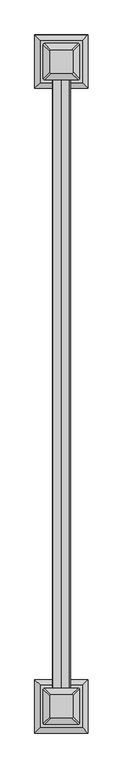
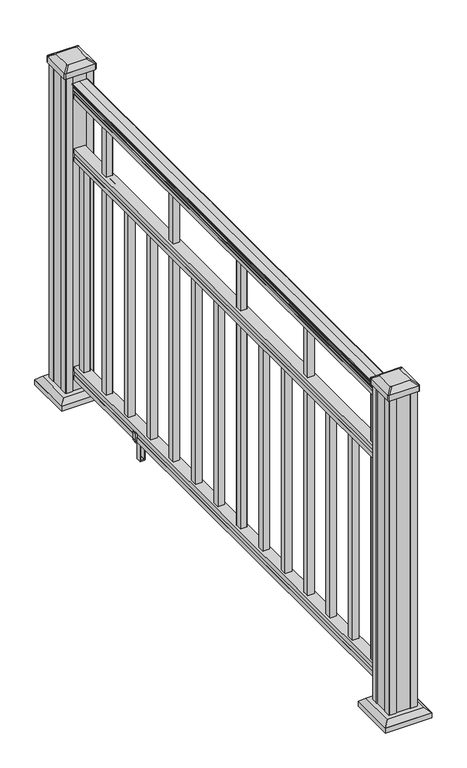
"""IFC4 building model written with IfcOpenShell, lengths in millimetres: railing geometry."""

from ifc_helpers import new_model, si_unit, point, frame, frame_2d, origin, origin_with_axes, place, context, project, spatial, polyline, circle_curve, trimmed, segment, composite_curve, outline, extrude, faceted_brep, source, transform, mapped, element, save
from ifc_brep_helpers import plane_surface, cylinder_surface, revolved_surface, extruded_surface, advanced_brep


def railing_c400cfd4(model_context):
    return source(origin(), model_context, "Body", "SolidModel", [
        advanced_brep(
        [(38355.6246135, 32849.1629068, 938.4043297), (38358.1984422, 32849.1629068, 938.4043297), (38358.1984422, 32849.1629068, 927.747013), (38357.1824422, 32849.1629068, 926.731013), (38357.1824422, 32849.1629068, 914.4), (38388.9324422, 32849.1629068, 914.4), (38388.9324422, 32849.1629068, 926.8888283), (38387.9164422, 32849.1629068, 927.9048283), (38387.9164422, 32849.1629068, 938.4043297), (38390.490271, 32849.1629068, 938.4043297), (38390.490271, 32849.1629068, 940.292412), (38391.6204573, 32849.1629068, 941.8546695), (38391.6204573, 32849.1629068, 949.0726458), (38390.9712009, 32849.1629068, 951.5060812), (38393.4712009, 32849.1629068, 955.8362083), (38394.8805433, 32849.1629068, 957.5157972), (38395.2824423, 32849.1629068, 958.6205318), (38395.2824422, 32849.1629068, 959.9608158), (38393.728995, 32849.1629068, 961.514263), (38373.0574422, 32849.1629068, 961.514263), (38352.3858895, 32849.1629068, 961.514263), (38350.8324422, 32849.1629068, 959.9608158), (38350.8324422, 32849.1629068, 958.6205318), (38351.2343412, 32849.1629068, 957.5157972), (38352.6436836, 32849.1629068, 955.8362083), (38355.1436836, 32849.1629068, 951.5060812), (38354.4944272, 32849.1629068, 949.0726458), (38354.4944272, 32849.1629068, 941.8546695), (38355.6246135, 32849.1629068, 940.292412), (38355.6246135, 34373.1629068, 938.4043297), (38355.6246135, 34373.1629068, 940.292412), (38354.4944272, 34373.1629068, 941.8546695), (38354.4944272, 34373.1629068, 949.0726458), (38355.1436836, 34373.1629068, 951.5060812), (38352.6436836, 34373.1629068, 955.8362083), (38351.2343412, 34373.1629068, 957.5157972), (38350.8324422, 34373.1629068, 958.6205318), (38350.8324422, 34373.1629068, 959.9608158), (38352.3858895, 34373.1629068, 961.514263), (38373.0574422, 34373.1629068, 961.514263), (38393.728995, 34373.1629068, 961.514263), (38395.2824422, 34373.1629068, 959.9608158), (38395.2824422, 34373.1629068, 958.6205318), (38394.8805433, 34373.1629068, 957.5157972), (38393.4712009, 34373.1629068, 955.8362083), (38390.9712009, 34373.1629068, 951.5060812), (38391.6204573, 34373.1629068, 949.0726458), (38391.6204573, 34373.1629068, 941.8546695), (38390.490271, 34373.1629068, 940.292412), (38390.490271, 34373.1629068, 938.4043297), (38387.9164422, 34373.1629068, 938.4043297), (38387.9164422, 34373.1629068, 927.9048283), (38388.9324422, 34373.1629068, 926.8888283), (38388.9324422, 34373.1629068, 914.4), (38357.1824422, 34373.1629068, 914.4), (38357.1824422, 34373.1629068, 926.731013), (38358.1984422, 34373.1629068, 927.747013), (38358.1984422, 34373.1629068, 938.4043297)],
        [
            (0, 1, circle_curve(frame((38356.9115279, 32849.1629068, 938.4043297), z_axis=(0.0, -1.0, 0.0), x_axis=(1.0, 0.0, 0.0)), 1.2869144)),
            (1, 2),
            (2, 3),
            (3, 4),
            (4, 5),
            (5, 6),
            (6, 7),
            (7, 8),
            (8, 9, circle_curve(frame((38389.2033566, 32849.1629068, 938.4043297), z_axis=(0.0, -1.0, 0.0), x_axis=(-1.0, 0.0, 0.0)), 1.2869144)),
            (9, 10),
            (10, 11, circle_curve(frame((38384.1755177, 32849.1629068, 946.0506383), z_axis=(0.0, -1.0, 0.0), x_axis=(-1.0, 0.0, 0.0)), 8.545951)),
            (11, 12, circle_curve(frame((38384.6125807, 32849.1629068, 945.4636577), z_axis=(0.0, -1.0, 0.0), x_axis=(-1.0, 0.0, 0.0)), 7.882584)),
            (12, 13, circle_curve(frame((38395.1259048, 32849.1629068, 951.3112527), z_axis=(0.0, 1.0, 0.0), x_axis=(-1.0, 0.0, 0.0)), 4.1592695)),
            (13, 14, circle_curve(frame((38396.4132113, 32849.1629068, 951.2508864), z_axis=(0.0, 1.0, 0.0), x_axis=(-1.0, 0.0, 0.0)), 5.4479907)),
            (14, 15, circle_curve(frame((38395.1800529, 32849.1629068, 955.833395), z_axis=(0.0, 1.0, 0.0), x_axis=(-1.0, 0.0, 0.0)), 1.7088543)),
            (15, 16, circle_curve(frame((38393.5631528, 32849.1629068, 958.6205318), z_axis=(0.0, -1.0, 0.0), x_axis=(-1.0, 0.0, 0.0)), 1.7192895)),
            (16, 17),
            (17, 18, circle_curve(frame((38393.728995, 32849.1629068, 959.9608158), z_axis=(0.0, -1.0, 0.0), x_axis=(-1.0, 0.0, 0.0)), 1.5534472)),
            (18, 19),
            (19, 20),
            (20, 21, circle_curve(frame((38352.3858895, 32849.1629068, 959.9608158), z_axis=(0.0, -1.0, 0.0), x_axis=(1.0, 0.0, 0.0)), 1.5534472)),
            (21, 22),
            (22, 23, circle_curve(frame((38352.5517317, 32849.1629068, 958.6205318), z_axis=(0.0, -1.0, 0.0), x_axis=(1.0, 0.0, 0.0)), 1.7192895)),
            (23, 24, circle_curve(frame((38350.9348316, 32849.1629068, 955.833395), z_axis=(0.0, 1.0, 0.0), x_axis=(1.0, 0.0, 0.0)), 1.7088543)),
            (24, 25, circle_curve(frame((38349.7016731, 32849.1629068, 951.2508864), z_axis=(0.0, 1.0, 0.0), x_axis=(1.0, 0.0, 0.0)), 5.4479907)),
            (25, 26, circle_curve(frame((38350.9889797, 32849.1629068, 951.3112527), z_axis=(0.0, 1.0, 0.0), x_axis=(1.0, 0.0, 0.0)), 4.1592695)),
            (26, 27, circle_curve(frame((38361.5023038, 32849.1629068, 945.4636577), z_axis=(0.0, -1.0, 0.0), x_axis=(1.0, 0.0, 0.0)), 7.882584)),
            (27, 28, circle_curve(frame((38361.9393668, 32849.1629068, 946.0506383), z_axis=(0.0, -1.0, 0.0), x_axis=(1.0, 0.0, 0.0)), 8.545951)),
            (28, 0),
            (29, 30),
            (30, 31, circle_curve(frame((38361.9393668, 34373.1629068, 946.0506383), z_axis=(0.0, 1.0, 0.0), x_axis=(1.0, 0.0, 0.0)), 8.545951)),
            (31, 32, circle_curve(frame((38361.5023038, 34373.1629068, 945.4636577), z_axis=(0.0, 1.0, 0.0), x_axis=(1.0, 0.0, 0.0)), 7.882584)),
            (32, 33, circle_curve(frame((38350.9889797, 34373.1629068, 951.3112527), z_axis=(0.0, -1.0, 0.0), x_axis=(1.0, 0.0, 0.0)), 4.1592695)),
            (33, 34, circle_curve(frame((38349.7016731, 34373.1629068, 951.2508864), z_axis=(0.0, -1.0, 0.0), x_axis=(1.0, 0.0, 0.0)), 5.4479907)),
            (34, 35, circle_curve(frame((38350.9348316, 34373.1629068, 955.833395), z_axis=(0.0, -1.0, 0.0), x_axis=(1.0, 0.0, 0.0)), 1.7088543)),
            (35, 36, circle_curve(frame((38352.5517317, 34373.1629068, 958.6205318), z_axis=(0.0, 1.0, 0.0), x_axis=(1.0, 0.0, 0.0)), 1.7192895)),
            (36, 37),
            (37, 38, circle_curve(frame((38352.3858895, 34373.1629068, 959.9608158), z_axis=(0.0, 1.0, 0.0), x_axis=(1.0, 0.0, 0.0)), 1.5534472)),
            (38, 39),
            (39, 40),
            (40, 41, circle_curve(frame((38393.728995, 34373.1629068, 959.9608158), z_axis=(0.0, 1.0, 0.0), x_axis=(-1.0, 0.0, 0.0)), 1.5534472)),
            (41, 42),
            (42, 43, circle_curve(frame((38393.5631528, 34373.1629068, 958.6205318), z_axis=(0.0, 1.0, 0.0), x_axis=(-1.0, 0.0, 0.0)), 1.7192895)),
            (43, 44, circle_curve(frame((38395.1800529, 34373.1629068, 955.833395), z_axis=(0.0, -1.0, 0.0), x_axis=(-1.0, 0.0, 0.0)), 1.7088543)),
            (44, 45, circle_curve(frame((38396.4132113, 34373.1629068, 951.2508864), z_axis=(0.0, -1.0, 0.0), x_axis=(-1.0, 0.0, 0.0)), 5.4479907)),
            (45, 46, circle_curve(frame((38395.1259048, 34373.1629068, 951.3112527), z_axis=(0.0, -1.0, 0.0), x_axis=(-1.0, 0.0, 0.0)), 4.1592695)),
            (46, 47, circle_curve(frame((38384.6125807, 34373.1629068, 945.4636577), z_axis=(0.0, 1.0, 0.0), x_axis=(-1.0, 0.0, 0.0)), 7.882584)),
            (47, 48, circle_curve(frame((38384.1755177, 34373.1629068, 946.0506383), z_axis=(0.0, 1.0, 0.0), x_axis=(-1.0, 0.0, 0.0)), 8.545951)),
            (48, 49),
            (49, 50, circle_curve(frame((38389.2033566, 34373.1629068, 938.4043297), z_axis=(0.0, 1.0, 0.0), x_axis=(-1.0, 0.0, 0.0)), 1.2869144)),
            (50, 51),
            (51, 52),
            (52, 53),
            (53, 54),
            (54, 55),
            (55, 56),
            (56, 57),
            (57, 29, circle_curve(frame((38356.9115279, 34373.1629068, 938.4043297), z_axis=(0.0, 1.0, 0.0), x_axis=(1.0, 0.0, 0.0)), 1.2869144)),
            (0, 29),
            (57, 1),
            (56, 2),
            (55, 3),
            (54, 4),
            (53, 5),
            (52, 6),
            (51, 7),
            (50, 8),
            (49, 9),
            (48, 10),
            (47, 11),
            (46, 12),
            (45, 13),
            (44, 14),
            (43, 15),
            (42, 16),
            (41, 17),
            (40, 18),
            (39, 19),
            (38, 20),
            (37, 21),
            (36, 22),
            (35, 23),
            (34, 24),
            (33, 25),
            (32, 26),
            (31, 27),
            (30, 28),
        ],
        [
            plane_surface(frame((38373.0574422, 32849.1629068, 914.4), z_axis=(0.0, -1.0, 0.0), x_axis=(0.0, 0.0, 1.0))),
            plane_surface(frame((38373.0574422, 34373.1629068, 914.4), z_axis=(0.0, 1.0, 0.0), x_axis=(0.0, 0.0, 1.0))),
            cylinder_surface(frame((38356.9115279, 32849.1629068, 938.4043297), z_axis=(0.0, -1.0, 0.0), x_axis=(1.0, 0.0, 0.0)), 1.2869144),
            plane_surface(frame((38358.1984422, 32849.1629068, 938.4043297), z_axis=(-1.0, 0.0, 0.0), x_axis=(0.0, 1.0, 0.0))),
            plane_surface(frame((38358.1984422, 32849.1629068, 927.747013), z_axis=(-0.7071067811865395, 0.0, 0.7071067811865556), x_axis=(0.0, 1.0, 0.0))),
            plane_surface(frame((38357.1824422, 32849.1629068, 926.731013), z_axis=(-1.0, 0.0, 0.0), x_axis=(0.0, 1.0, 0.0))),
            plane_surface(frame((38357.1824422, 32849.1629068, 914.4), z_axis=(0.0, 0.0, -1.0), x_axis=(0.0, 1.0, 0.0))),
            plane_surface(frame((38388.9324422, 32849.1629068, 914.4), z_axis=(1.0, 0.0, 0.0), x_axis=(0.0, 1.0, 0.0))),
            plane_surface(frame((38388.9324422, 32849.1629068, 926.8888283), z_axis=(0.7071067811865432, 0.0, 0.707106781186552), x_axis=(0.0, 1.0, 0.0))),
            plane_surface(frame((38387.9164422, 32849.1629068, 927.9048283), z_axis=(1.0, 0.0, 0.0), x_axis=(0.0, 1.0, 0.0))),
            cylinder_surface(frame((38389.2033566, 32849.1629068, 938.4043297), z_axis=(0.0, -1.0, 0.0), x_axis=(-1.0, 0.0, 0.0)), 1.2869144),
            plane_surface(frame((38390.490271, 32849.1629068, 938.4043297), z_axis=(1.0, 0.0, 0.0), x_axis=(0.0, 1.0, 0.0))),
            cylinder_surface(frame((38384.1755177, 32849.1629068, 946.0506383), z_axis=(0.0, -1.0, 0.0), x_axis=(-1.0, 0.0, 0.0)), 8.545951),
            cylinder_surface(frame((38384.6125807, 32849.1629068, 945.4636577), z_axis=(0.0, -1.0, 0.0), x_axis=(-1.0, 0.0, 0.0)), 7.882584),
            revolved_surface(polyline([(38390.9666353, 34373.1629068, 951.3112527), (38390.9666353, 32849.1629068, 951.3112527)]), (38395.1259048, 32849.1629068, 951.3112527), (0.0, 1.0, 0.0)),
            revolved_surface(polyline([(38390.9652206, 34373.1629068, 951.2508864), (38390.9652206, 32849.1629068, 951.2508864)]), (38396.4132113, 32849.1629068, 951.2508864), (0.0, 1.0, 0.0)),
            revolved_surface(polyline([(38393.471198600004, 34373.1629068, 955.833395), (38393.471198600004, 32849.1629068, 955.833395)]), (38395.1800529, 32849.1629068, 955.833395), (0.0, 1.0, 0.0)),
            cylinder_surface(frame((38393.5631528, 32849.1629068, 958.6205318), z_axis=(0.0, -1.0, 0.0), x_axis=(-1.0, 0.0, 0.0)), 1.7192895),
            plane_surface(frame((38395.2824422, 32849.1629068, 958.6205318), z_axis=(1.0, 0.0, 0.0), x_axis=(0.0, 1.0, 0.0))),
            cylinder_surface(frame((38393.728995, 32849.1629068, 959.9608158), z_axis=(0.0, -1.0, 0.0), x_axis=(-1.0, 0.0, 0.0)), 1.5534472),
            plane_surface(frame((38393.728995, 32849.1629068, 961.514263), z_axis=(0.0, 0.0, 1.0), x_axis=(0.0, 1.0, 0.0))),
            plane_surface(frame((38373.0574422, 32849.1629068, 961.514263), z_axis=(0.0, 0.0, 1.0), x_axis=(0.0, 1.0, 0.0))),
            cylinder_surface(frame((38352.3858895, 32849.1629068, 959.9608158), z_axis=(0.0, -1.0, 0.0), x_axis=(1.0, 0.0, 0.0)), 1.5534472),
            plane_surface(frame((38350.8324422, 32849.1629068, 959.9608158), z_axis=(-1.0, 0.0, 0.0), x_axis=(0.0, 1.0, 0.0))),
            cylinder_surface(frame((38352.5517317, 32849.1629068, 958.6205318), z_axis=(0.0, -1.0, 0.0), x_axis=(1.0, 0.0, 0.0)), 1.7192895),
            revolved_surface(polyline([(38352.6436859, 34373.1629068, 955.833395), (38352.6436859, 32849.1629068, 955.833395)]), (38350.9348316, 32849.1629068, 955.833395), (0.0, 1.0, 0.0)),
            revolved_surface(polyline([(38355.149663799995, 34373.1629068, 951.2508864), (38355.149663799995, 32849.1629068, 951.2508864)]), (38349.7016731, 32849.1629068, 951.2508864), (0.0, 1.0, 0.0)),
            revolved_surface(polyline([(38355.1482492, 34373.1629068, 951.3112527), (38355.1482492, 32849.1629068, 951.3112527)]), (38350.9889797, 32849.1629068, 951.3112527), (0.0, 1.0, 0.0)),
            cylinder_surface(frame((38361.5023038, 32849.1629068, 945.4636577), z_axis=(0.0, -1.0, 0.0), x_axis=(1.0, 0.0, 0.0)), 7.882584),
            cylinder_surface(frame((38361.9393668, 32849.1629068, 946.0506383), z_axis=(0.0, -1.0, 0.0), x_axis=(1.0, 0.0, 0.0)), 8.545951),
            plane_surface(frame((38355.6246135, 32849.1629068, 940.292412), z_axis=(-1.0, 0.0, 0.0), x_axis=(0.0, 1.0, 0.0))),
        ],
        [
            (0, [[1, 2, 3, 4, 5, 6, 7, 8, 9, 10, 11, 12, 13, 14, 15, 16, 17, 18, 19, 20, 21, 22, 23, 24, 25, 26, 27, 28, 29]]),
            (1, [[30, 31, 32, 33, 34, 35, 36, 37, 38, 39, 40, 41, 42, 43, 44, 45, 46, 47, 48, 49, 50, 51, 52, 53, 54, 55, 56, 57, 58]]),
            (2, [[-1, 59, -58, 60]]),
            (3, [[-2, -60, -57, 61]]),
            (4, [[-3, -61, -56, 62]]),
            (5, [[-4, -62, -55, 63]]),
            (6, [[-5, -63, -54, 64]]),
            (7, [[-6, -64, -53, 65]]),
            (8, [[-7, -65, -52, 66]]),
            (9, [[-8, -66, -51, 67]]),
            (10, [[-9, -67, -50, 68]]),
            (11, [[-10, -68, -49, 69]]),
            (12, [[-11, -69, -48, 70]]),
            (13, [[-12, -70, -47, 71]]),
            (14, [[-13, -71, -46, 72]]),
            (15, [[-14, -72, -45, 73]]),
            (16, [[-15, -73, -44, 74]]),
            (17, [[-16, -74, -43, 75]]),
            (18, [[-17, -75, -42, 76]]),
            (19, [[-18, -76, -41, 77]]),
            (20, [[-19, -77, -40, 78]]),
            (21, [[-20, -78, -39, 79]]),
            (22, [[-21, -79, -38, 80]]),
            (23, [[-22, -80, -37, 81]]),
            (24, [[-23, -81, -36, 82]]),
            (25, [[-24, -82, -35, 83]]),
            (26, [[-25, -83, -34, 84]]),
            (27, [[-26, -84, -33, 85]]),
            (28, [[-27, -85, -32, 86]]),
            (29, [[-28, -86, -31, 87]]),
            (30, [[-29, -87, -30, -59]]),
        ],
    ),
        faceted_brep([(38357.1449553, 32849.1629068, 736.4541976), (38357.1449553, 32849.1629068, 723.9), (38388.8949553, 32849.1629068, 723.9), (38388.8949553, 32849.1629068, 736.4375508), (38387.8789553, 32849.1629068, 737.7858283), (38387.8789553, 32849.1629068, 748.0975248), (38388.8949553, 32849.1629068, 749.4458024), (38388.8949553, 32849.1629068, 761.9958781), (38357.1449553, 32849.1629068, 761.9958781), (38357.1449553, 32849.1629068, 749.4624492), (38358.1609553, 32849.1629068, 748.1141717), (38358.1609553, 32849.1629068, 737.7546183), (38357.1449553, 34373.1629068, 736.4541976), (38358.1609553, 34373.1629068, 737.7546183), (38358.1609553, 34373.1629068, 748.1141717), (38357.1449553, 34373.1629068, 749.4624492), (38357.1449553, 34373.1629068, 761.9958781), (38388.8949553, 34373.1629068, 761.9958781), (38388.8949553, 34373.1629068, 749.4458024), (38387.8789553, 34373.1629068, 748.0975248), (38387.8789553, 34373.1629068, 737.7858283), (38388.8949553, 34373.1629068, 736.4375508), (38388.8949553, 34373.1629068, 723.9), (38357.1449553, 34373.1629068, 723.9)], [[[0, 1, 2, 3, 4, 5, 6, 7, 8, 9, 10, 11]], [[12, 13, 14, 15, 16, 17, 18, 19, 20, 21, 22, 23]], [[1, 0, 12, 23]], [[2, 1, 23, 22]], [[3, 2, 22, 21]], [[4, 3, 21, 20]], [[5, 4, 20, 19]], [[6, 5, 19, 18]], [[7, 6, 18, 17]], [[8, 7, 17, 16]], [[9, 8, 16, 15]], [[10, 9, 15, 14]], [[11, 10, 14, 13]], [[0, 11, 13, 12]]]),
        faceted_brep([(38357.1449553, 32849.1629068, 76.0541976), (38357.1449553, 32849.1629068, 63.5), (38388.8949553, 32849.1629068, 63.5), (38388.8949553, 32849.1629068, 76.0375508), (38387.8789553, 32849.1629068, 77.3858283), (38387.8789553, 32849.1629068, 87.6975248), (38388.8949553, 32849.1629068, 89.0458024), (38388.8949553, 32849.1629068, 101.5958781), (38357.1449553, 32849.1629068, 101.5958781), (38357.1449553, 32849.1629068, 89.0624492), (38358.1609553, 32849.1629068, 87.7141717), (38358.1609553, 32849.1629068, 77.3546183), (38357.1449553, 34373.1629068, 76.0541976), (38358.1609553, 34373.1629068, 77.3546183), (38358.1609553, 34373.1629068, 87.7141717), (38357.1449553, 34373.1629068, 89.0624492), (38357.1449553, 34373.1629068, 101.5958781), (38388.8949553, 34373.1629068, 101.5958781), (38388.8949553, 34373.1629068, 89.0458024), (38387.8789553, 34373.1629068, 87.6975248), (38387.8789553, 34373.1629068, 77.3858283), (38388.8949553, 34373.1629068, 76.0375508), (38388.8949553, 34373.1629068, 63.5), (38357.1449553, 34373.1629068, 63.5)], [[[0, 1, 2, 3, 4, 5, 6, 7, 8, 9, 10, 11]], [[12, 13, 14, 15, 16, 17, 18, 19, 20, 21, 22, 23]], [[1, 0, 12, 23]], [[2, 1, 23, 22]], [[3, 2, 22, 21]], [[4, 3, 21, 20]], [[5, 4, 20, 19]], [[6, 5, 19, 18]], [[7, 6, 18, 17]], [[8, 7, 17, 16]], [[9, 8, 16, 15]], [[10, 9, 15, 14]], [[11, 10, 14, 13]], [[0, 11, 13, 12]]]),
        extrude(outline(polyline([(38363.5324422, 34338.2379068), (38363.5324422, 34357.2879068), (38382.5824422, 34357.2879068), (38382.5824422, 34338.2379068), (38363.5324422, 34338.2379068)]), holes=[polyline([(38363.9293172, 34338.6347818), (38382.1855672, 34338.6347818), (38382.1855672, 34356.8910318), (38363.9293172, 34356.8910318), (38363.9293172, 34338.6347818)])]), frame((0.0, 0.0, 101.5958781), z_axis=(0.0, 0.0, 1.0), x_axis=(1.0, 0.0, 0.0)), (0.0, 0.0, 1.0), 622.3041219),
        extrude(outline(polyline([(38363.5324422, 34226.9859068), (38363.5324422, 34246.0359068), (38382.5824422, 34246.0359068), (38382.5824422, 34226.9859068), (38363.5324422, 34226.9859068)]), holes=[polyline([(38363.9293172, 34227.3827818), (38382.1855672, 34227.3827818), (38382.1855672, 34245.6390318), (38363.9293172, 34245.6390318), (38363.9293172, 34227.3827818)])]), frame((0.0, 0.0, 101.5958781), z_axis=(0.0, 0.0, 1.0), x_axis=(1.0, 0.0, 0.0)), (0.0, 0.0, 1.0), 812.8041219),
        extrude(outline(polyline([(38363.5324422, 34115.7339068), (38363.5324422, 34134.7839068), (38382.5824422, 34134.7839068), (38382.5824422, 34115.7339068), (38363.5324422, 34115.7339068)]), holes=[polyline([(38363.9293172, 34116.1307818), (38382.1855672, 34116.1307818), (38382.1855672, 34134.3870318), (38363.9293172, 34134.3870318), (38363.9293172, 34116.1307818)])]), frame((0.0, 0.0, 101.5958781), z_axis=(0.0, 0.0, 1.0), x_axis=(1.0, 0.0, 0.0)), (0.0, 0.0, 1.0), 622.3041219),
        extrude(outline(polyline([(88.7203979, 38391.2184411), (88.7203979, 38389.1864415), (87.7043953, 38388.1704417), (77.2686081, 38388.1704417), (76.2526073, 38389.1864415), (64.262001, 38389.1864415), (63.5000019, 38388.4244423), (63.5000019, 38357.6904412), (64.262001, 38356.9284421), (76.2526073, 38356.9284421), (77.2686081, 38357.9444419), (87.7043953, 38357.9444419), (88.7203979, 38356.9284421), (88.7203979, 38354.8964425), (87.9583969, 38354.1344414), (61.4680023, 38354.1344414), (60.7060013, 38354.8964425), (60.7060013, 38364.9294415), (59.9440012, 38365.6914416), (0.762001, 38365.6914416), (0.0, 38366.4534426), (0.0, 38379.6614419), (0.7620001, 38380.4234419), (59.9440012, 38380.4234419), (60.7060013, 38381.185442), (60.7060013, 38391.2184411), (61.4680023, 38391.9804421), (87.9583969, 38391.9804421), (88.7203979, 38391.2184411)]), holes=[polyline([(60.7060013, 38369.6284419), (60.7060013, 38376.4864417), (59.9440012, 38377.2484418), (3.9370003, 38377.2484418), (3.1750031, 38376.4864445), (3.1750031, 38369.6284419), (3.9370031, 38368.8664418), (59.9440012, 38368.8664418), (60.7060013, 38369.6284419)])]), frame((0.0, 34062.2669068, 0.0), z_axis=(0.0, 1.0, 0.0), x_axis=(0.0, 0.0, 1.0)), (0.0, 0.0, 1.0), 14.732),
        extrude(outline(polyline([(38363.5324422, 34004.4819068), (38363.5324422, 34023.5319068), (38382.5824422, 34023.5319068), (38382.5824422, 34004.4819068), (38363.5324422, 34004.4819068)]), holes=[polyline([(38363.9293172, 34004.8787818), (38382.1855672, 34004.8787818), (38382.1855672, 34023.1350318), (38363.9293172, 34023.1350318), (38363.9293172, 34004.8787818)])]), frame((0.0, 0.0, 101.5958781), z_axis=(0.0, 0.0, 1.0), x_axis=(1.0, 0.0, 0.0)), (0.0, 0.0, 1.0), 622.3041219),
        extrude(outline(polyline([(38363.5324422, 33893.2299068), (38363.5324422, 33912.2799068), (38382.5824422, 33912.2799068), (38382.5824422, 33893.2299068), (38363.5324422, 33893.2299068)]), holes=[polyline([(38363.9293172, 33893.6267818), (38382.1855672, 33893.6267818), (38382.1855672, 33911.8830318), (38363.9293172, 33911.8830318), (38363.9293172, 33893.6267818)])]), frame((0.0, 0.0, 101.5958781), z_axis=(0.0, 0.0, 1.0), x_axis=(1.0, 0.0, 0.0)), (0.0, 0.0, 1.0), 812.8041219),
        extrude(outline(polyline([(38363.5324422, 33781.9779068), (38363.5324422, 33801.0279068), (38382.5824422, 33801.0279068), (38382.5824422, 33781.9779068), (38363.5324422, 33781.9779068)]), holes=[polyline([(38363.9293172, 33782.3747818), (38382.1855672, 33782.3747818), (38382.1855672, 33800.6310318), (38363.9293172, 33800.6310318), (38363.9293172, 33782.3747818)])]), frame((0.0, 0.0, 101.5958781), z_axis=(0.0, 0.0, 1.0), x_axis=(1.0, 0.0, 0.0)), (0.0, 0.0, 1.0), 622.3041219),
        extrude(outline(polyline([(38363.5324422, 33670.7259068), (38363.5324422, 33689.7759068), (38382.5824422, 33689.7759068), (38382.5824422, 33670.7259068), (38363.5324422, 33670.7259068)]), holes=[polyline([(38363.9293172, 33671.1227818), (38382.1855672, 33671.1227818), (38382.1855672, 33689.3790318), (38363.9293172, 33689.3790318), (38363.9293172, 33671.1227818)])]), frame((0.0, 0.0, 101.5958781), z_axis=(0.0, 0.0, 1.0), x_axis=(1.0, 0.0, 0.0)), (0.0, 0.0, 1.0), 622.3041219),
        extrude(outline(polyline([(38363.5324422, 33559.4739068), (38363.5324422, 33578.5239068), (38382.5824422, 33578.5239068), (38382.5824422, 33559.4739068), (38363.5324422, 33559.4739068)]), holes=[polyline([(38363.9293172, 33559.8707818), (38382.1855672, 33559.8707818), (38382.1855672, 33578.1270318), (38363.9293172, 33578.1270318), (38363.9293172, 33559.8707818)])]), frame((0.0, 0.0, 101.5958781), z_axis=(0.0, 0.0, 1.0), x_axis=(1.0, 0.0, 0.0)), (0.0, 0.0, 1.0), 812.8041219),
        extrude(outline(polyline([(38363.5324422, 33448.2219068), (38363.5324422, 33467.2719068), (38382.5824422, 33467.2719068), (38382.5824422, 33448.2219068), (38363.5324422, 33448.2219068)]), holes=[polyline([(38363.9293172, 33448.6187818), (38382.1855672, 33448.6187818), (38382.1855672, 33466.8750318), (38363.9293172, 33466.8750318), (38363.9293172, 33448.6187818)])]), frame((0.0, 0.0, 101.5958781), z_axis=(0.0, 0.0, 1.0), x_axis=(1.0, 0.0, 0.0)), (0.0, 0.0, 1.0), 622.3041219),
        extrude(outline(polyline([(38363.5324422, 33336.9699068), (38363.5324422, 33356.0199068), (38382.5824422, 33356.0199068), (38382.5824422, 33336.9699068), (38363.5324422, 33336.9699068)]), holes=[polyline([(38363.9293172, 33337.3667818), (38382.1855672, 33337.3667818), (38382.1855672, 33355.6230318), (38363.9293172, 33355.6230318), (38363.9293172, 33337.3667818)])]), frame((0.0, 0.0, 101.5958781), z_axis=(0.0, 0.0, 1.0), x_axis=(1.0, 0.0, 0.0)), (0.0, 0.0, 1.0), 622.3041219),
        extrude(outline(polyline([(38363.5324422, 33225.7179068), (38363.5324422, 33244.7679068), (38382.5824422, 33244.7679068), (38382.5824422, 33225.7179068), (38363.5324422, 33225.7179068)]), holes=[polyline([(38363.9293172, 33226.1147818), (38382.1855672, 33226.1147818), (38382.1855672, 33244.3710318), (38363.9293172, 33244.3710318), (38363.9293172, 33226.1147818)])]), frame((0.0, 0.0, 101.5958781), z_axis=(0.0, 0.0, 1.0), x_axis=(1.0, 0.0, 0.0)), (0.0, 0.0, 1.0), 812.8041219),
        extrude(outline(polyline([(38363.5324422, 33114.4659068), (38363.5324422, 33133.5159068), (38382.5824422, 33133.5159068), (38382.5824422, 33114.4659068), (38363.5324422, 33114.4659068)]), holes=[polyline([(38363.9293172, 33114.8627818), (38382.1855672, 33114.8627818), (38382.1855672, 33133.1190318), (38363.9293172, 33133.1190318), (38363.9293172, 33114.8627818)])]), frame((0.0, 0.0, 101.5958781), z_axis=(0.0, 0.0, 1.0), x_axis=(1.0, 0.0, 0.0)), (0.0, 0.0, 1.0), 622.3041219),
        extrude(outline(polyline([(38363.5324422, 33003.2139068), (38363.5324422, 33022.2639068), (38382.5824422, 33022.2639068), (38382.5824422, 33003.2139068), (38363.5324422, 33003.2139068)]), holes=[polyline([(38363.9293172, 33003.6107818), (38382.1855672, 33003.6107818), (38382.1855672, 33021.8670318), (38363.9293172, 33021.8670318), (38363.9293172, 33003.6107818)])]), frame((0.0, 0.0, 101.5958781), z_axis=(0.0, 0.0, 1.0), x_axis=(1.0, 0.0, 0.0)), (0.0, 0.0, 1.0), 622.3041219),
        extrude(outline(polyline([(38363.5324422, 32891.9619068), (38363.5324422, 32911.0119068), (38382.5824422, 32911.0119068), (38382.5824422, 32891.9619068), (38363.5324422, 32891.9619068)]), holes=[polyline([(38363.9293172, 32892.3587818), (38382.1855672, 32892.3587818), (38382.1855672, 32910.6150318), (38363.9293172, 32910.6150318), (38363.9293172, 32892.3587818)])]), frame((0.0, 0.0, 101.5958781), z_axis=(0.0, 0.0, 1.0), x_axis=(1.0, 0.0, 0.0)), (0.0, 0.0, 1.0), 812.8041219),
        faceted_brep([(38320.4715047, 34361.9789693, 28.575), (38425.6433797, 34361.9789693, 28.575), (38425.6433797, 34467.1508443, 28.575), (38320.4715047, 34467.1508443, 28.575), (38306.4320516, 34347.9395162, 15.24), (38306.4320516, 34481.1902975, 15.24), (38439.6828329, 34481.1902975, 15.24), (38439.6828329, 34347.9395162, 15.24)], [[[0, 1, 2, 3]], [[4, 5, 6, 7]], [[4, 7, 1, 0]], [[7, 6, 2, 1]], [[6, 5, 3, 2]], [[5, 4, 0, 3]]]),
        extrude(outline(polyline([(38306.4320516, 34347.9395162), (38306.4320516, 34481.1902975), (38439.6828329, 34481.1902975), (38439.6828329, 34347.9395162), (38306.4320516, 34347.9395162)])), origin_with_axes(), (0.0, 0.0, 1.0), 15.24),
        advanced_brep(
        [(38398.8543172, 34385.5930318, 1012.825), (38402.0293172, 34388.7680318, 1012.825), (38402.0293172, 34440.3617818, 1012.825), (38398.8543172, 34443.5367818, 1012.825), (38347.2605672, 34443.5367818, 1012.825), (38344.0855672, 34440.3617818, 1012.825), (38344.0855672, 34388.7680318, 1012.825), (38347.2605672, 34385.5930318, 1012.825), (38415.1261922, 34369.3211568, 1001.522), (38330.9886922, 34369.3211568, 1001.522), (38327.8136922, 34372.4961568, 1001.522), (38327.8136922, 34456.6336568, 1001.522), (38330.9886922, 34459.8086568, 1001.522), (38415.1261922, 34459.8086568, 1001.522), (38418.3011922, 34456.6336568, 1001.522), (38418.3011922, 34372.4961568, 1001.522)],
        [
            (0, 1, circle_curve(frame((38398.8543172, 34388.7680318, 1012.825), z_axis=(0.0, 0.0, 1.0), x_axis=(0.0, 1.0, 0.0)), 3.175)),
            (1, 2),
            (2, 3, circle_curve(frame((38398.8543172, 34440.3617818, 1012.825), z_axis=(0.0, 0.0, 1.0), x_axis=(0.0, 1.0, 0.0)), 3.175)),
            (3, 4),
            (4, 5, circle_curve(frame((38347.2605672, 34440.3617818, 1012.825), z_axis=(0.0, 0.0, 1.0), x_axis=(0.0, 1.0, 0.0)), 3.175)),
            (5, 6),
            (6, 7, circle_curve(frame((38347.2605672, 34388.7680318, 1012.825), z_axis=(0.0, 0.0, 1.0), x_axis=(0.0, 1.0, 0.0)), 3.175)),
            (7, 0),
            (8, 9),
            (9, 10, circle_curve(frame((38330.9886922, 34372.4961568, 1001.522), z_axis=(0.0, 0.0, -1.0), x_axis=(0.0, 1.0, 0.0)), 3.175)),
            (10, 11),
            (11, 12, circle_curve(frame((38330.9886922, 34456.6336568, 1001.522), z_axis=(0.0, 0.0, -1.0), x_axis=(0.0, 1.0, 0.0)), 3.175)),
            (12, 13),
            (13, 14, circle_curve(frame((38415.1261922, 34456.6336568, 1001.522), z_axis=(0.0, 0.0, -1.0), x_axis=(0.0, 1.0, 0.0)), 3.175)),
            (14, 15),
            (15, 8, circle_curve(frame((38415.1261922, 34372.4961568, 1001.522), z_axis=(0.0, 0.0, -1.0), x_axis=(0.0, 1.0, 0.0)), 3.175)),
            (15, 1),
            (0, 8),
            (14, 2),
            (13, 3),
            (12, 4),
            (11, 5),
            (10, 6),
            (9, 7),
        ],
        [
            plane_surface(frame((38373.0574422, 34414.5649068, 1012.825), z_axis=(0.0, 0.0, 1.0), x_axis=(1.0, 0.0, 0.0))),
            plane_surface(frame((38373.0574422, 34414.5649068, 1001.522), z_axis=(0.0, 0.0, -1.0), x_axis=(1.0, 0.0, 0.0))),
            extruded_surface(trimmed(circle_curve(frame((38415.1261922, 34372.4961568, 1001.522), z_axis=(0.0, 0.0, 1.0), x_axis=(0.0, 1.0, 0.0)), 3.175), [point((38415.1261922, 34369.3211568, 1001.522))], [point((38418.3011922, 34372.4961568, 1001.522))], True, "CARTESIAN"), (-16.271874999998545, 16.271874999998545, 11.302999999999997), 25.637972638864316),
            plane_surface(frame((38418.3011922, 34414.5649068, 1001.522), z_axis=(0.5705009161540779, 0.0, 0.8212969649690408), x_axis=(0.0, 1.0, 0.0))),
            extruded_surface(trimmed(circle_curve(frame((38415.1261922, 34456.6336568, 1001.522), z_axis=(0.0, 0.0, 1.0), x_axis=(0.0, 1.0, 0.0)), 3.175), [point((38418.3011922, 34456.6336568, 1001.522))], [point((38415.1261922, 34459.8086568, 1001.522))], True, "CARTESIAN"), (-16.271874999998545, -16.271874999998545, 11.302999999999997), 25.637972638864316),
            plane_surface(frame((38373.0574422, 34459.8086568, 1001.522), z_axis=(0.0, 0.5705009161540291, 0.8212969649690747), x_axis=(-1.0, 0.0, 0.0))),
            extruded_surface(trimmed(circle_curve(frame((38330.9886922, 34456.6336568, 1001.522), z_axis=(0.0, 0.0, 1.0), x_axis=(0.0, 1.0, 0.0)), 3.175), [point((38330.9886922, 34459.8086568, 1001.522))], [point((38327.8136922, 34456.6336568, 1001.522))], True, "CARTESIAN"), (16.271874999998545, -16.271874999998545, 11.302999999999997), 25.637972638864316),
            plane_surface(frame((38327.8136922, 34414.5649068, 1001.522), z_axis=(-0.5705009161540141, 0.0, 0.8212969649690851), x_axis=(0.0, -1.0, 0.0))),
            extruded_surface(trimmed(circle_curve(frame((38330.9886922, 34372.4961568, 1001.522), z_axis=(0.0, 0.0, 1.0), x_axis=(0.0, 1.0, 0.0)), 3.175), [point((38327.8136922, 34372.4961568, 1001.522))], [point((38330.9886922, 34369.3211568, 1001.522))], True, "CARTESIAN"), (16.271874999998545, 16.271874999998545, 11.302999999999997), 25.637972638864316),
            plane_surface(frame((38373.0574422, 34369.3211568, 1001.522), z_axis=(0.0, -0.570500916154034, 0.8212969649690713), x_axis=(1.0, 0.0, 0.0))),
        ],
        [
            (0, [[1, 2, 3, 4, 5, 6, 7, 8]]),
            (1, [[9, 10, 11, 12, 13, 14, 15, 16]]),
            (2, [[-16, 17, -1, 18]]),
            (3, [[-15, 19, -2, -17]]),
            (4, [[-14, 20, -3, -19]]),
            (5, [[-13, 21, -4, -20]]),
            (6, [[-12, 22, -5, -21]]),
            (7, [[-11, 23, -6, -22]]),
            (8, [[-10, 24, -7, -23]]),
            (9, [[-9, -18, -8, -24]]),
        ],
    ),
        extrude(outline(composite_curve([segment(polyline([(38415.1261922, 34369.3211568), (38330.9886922, 34369.3211568)]), True, "CONTINUOUS"), segment(trimmed(circle_curve(frame_2d((38330.9886922, 34372.4961568)), 3.175), [point((38330.9886922, 34369.3211568))], [point((38327.8136922, 34372.4961568))], False, "CARTESIAN"), True, "CONTINUOUS"), segment(polyline([(38327.8136922, 34372.4961568), (38327.8136922, 34456.6336568)]), True, "CONTINUOUS"), segment(trimmed(circle_curve(frame_2d((38330.9886922, 34456.6336568)), 3.175), [point((38327.8136922, 34456.6336568))], [point((38330.9886922, 34459.8086568))], False, "CARTESIAN"), True, "CONTINUOUS"), segment(polyline([(38330.9886922, 34459.8086568), (38415.1261922, 34459.8086568)]), True, "CONTINUOUS"), segment(trimmed(circle_curve(frame_2d((38415.1261922, 34456.6336568)), 3.175), [point((38415.1261922, 34459.8086568))], [point((38418.3011922, 34456.6336568))], False, "CARTESIAN"), True, "CONTINUOUS"), segment(polyline([(38418.3011922, 34456.6336568), (38418.3011922, 34372.4961568)]), True, "CONTINUOUS"), segment(trimmed(circle_curve(frame_2d((38415.1261922, 34372.4961568)), 3.175), [point((38418.3011922, 34372.4961568))], [point((38415.1261922, 34369.3211568))], False, "CARTESIAN"), True, "CONTINUOUS")], self_intersect=False)), frame((0.0, 0.0, 984.25), z_axis=(0.0, 0.0, 1.0), x_axis=(1.0, 0.0, 0.0)), (0.0, 0.0, 1.0), 17.272),
        extrude(outline(polyline([(38412.7449422, 34373.2899068), (38393.1234422, 34373.2899068), (38392.3614422, 34374.8774068), (38353.7534422, 34374.8774068), (38352.9914422, 34373.2899068), (38333.3699422, 34373.2899068), (38331.7824422, 34374.8774068), (38331.7824422, 34394.4989068), (38333.3699422, 34395.2609068), (38333.3699422, 34433.8689068), (38331.7824422, 34434.6309068), (38331.7824422, 34454.2524068), (38333.3699422, 34455.8399068), (38352.9914422, 34455.8399068), (38353.7534422, 34454.2524068), (38392.3614422, 34454.2524068), (38393.1234422, 34455.8399068), (38412.7449422, 34455.8399068), (38414.3324422, 34454.2524068), (38414.3324422, 34434.6309068), (38412.7449422, 34433.8689068), (38412.7449422, 34395.2609068), (38414.3324422, 34394.4989068), (38414.3324422, 34374.8774068), (38412.7449422, 34373.2899068)])), origin_with_axes(), (0.0, 0.0, 1.0), 984.25),
        faceted_brep([(38320.4715047, 32755.1749693, 28.575), (38425.6433797, 32755.1749693, 28.575), (38425.6433797, 32860.3468443, 28.575), (38320.4715047, 32860.3468443, 28.575), (38306.4320516, 32741.1355162, 15.24), (38306.4320516, 32874.3862975, 15.24), (38439.6828329, 32874.3862975, 15.24), (38439.6828329, 32741.1355162, 15.24)], [[[0, 1, 2, 3]], [[4, 5, 6, 7]], [[4, 7, 1, 0]], [[7, 6, 2, 1]], [[6, 5, 3, 2]], [[5, 4, 0, 3]]]),
        extrude(outline(polyline([(38306.4320516, 32741.1355162), (38306.4320516, 32874.3862975), (38439.6828329, 32874.3862975), (38439.6828329, 32741.1355162), (38306.4320516, 32741.1355162)])), origin_with_axes(), (0.0, 0.0, 1.0), 15.24),
        advanced_brep(
        [(38398.8543172, 32778.7890318, 1012.825), (38402.0293172, 32781.9640318, 1012.825), (38402.0293172, 32833.5577818, 1012.825), (38398.8543172, 32836.7327818, 1012.825), (38347.2605672, 32836.7327818, 1012.825), (38344.0855672, 32833.5577818, 1012.825), (38344.0855672, 32781.9640318, 1012.825), (38347.2605672, 32778.7890318, 1012.825), (38415.1261922, 32762.5171568, 1001.522), (38330.9886922, 32762.5171568, 1001.522), (38327.8136922, 32765.6921568, 1001.522), (38327.8136922, 32849.8296568, 1001.522), (38330.9886922, 32853.0046568, 1001.522), (38415.1261922, 32853.0046568, 1001.522), (38418.3011922, 32849.8296568, 1001.522), (38418.3011922, 32765.6921568, 1001.522)],
        [
            (0, 1, circle_curve(frame((38398.8543172, 32781.9640318, 1012.825), z_axis=(0.0, 0.0, 1.0), x_axis=(0.0, 1.0, 0.0)), 3.175)),
            (1, 2),
            (2, 3, circle_curve(frame((38398.8543172, 32833.5577818, 1012.825), z_axis=(0.0, 0.0, 1.0), x_axis=(0.0, 1.0, 0.0)), 3.175)),
            (3, 4),
            (4, 5, circle_curve(frame((38347.2605672, 32833.5577818, 1012.825), z_axis=(0.0, 0.0, 1.0), x_axis=(0.0, 1.0, 0.0)), 3.175)),
            (5, 6),
            (6, 7, circle_curve(frame((38347.2605672, 32781.9640318, 1012.825), z_axis=(0.0, 0.0, 1.0), x_axis=(0.0, 1.0, 0.0)), 3.175)),
            (7, 0),
            (8, 9),
            (9, 10, circle_curve(frame((38330.9886922, 32765.6921568, 1001.522), z_axis=(0.0, 0.0, -1.0), x_axis=(0.0, 1.0, 0.0)), 3.175)),
            (10, 11),
            (11, 12, circle_curve(frame((38330.9886922, 32849.8296568, 1001.522), z_axis=(0.0, 0.0, -1.0), x_axis=(0.0, 1.0, 0.0)), 3.175)),
            (12, 13),
            (13, 14, circle_curve(frame((38415.1261922, 32849.8296568, 1001.522), z_axis=(0.0, 0.0, -1.0), x_axis=(0.0, 1.0, 0.0)), 3.175)),
            (14, 15),
            (15, 8, circle_curve(frame((38415.1261922, 32765.6921568, 1001.522), z_axis=(0.0, 0.0, -1.0), x_axis=(0.0, 1.0, 0.0)), 3.175)),
            (15, 1),
            (0, 8),
            (14, 2),
            (13, 3),
            (12, 4),
            (11, 5),
            (10, 6),
            (9, 7),
        ],
        [
            plane_surface(frame((38373.0574422, 32807.7609068, 1012.825), z_axis=(0.0, 0.0, 1.0), x_axis=(1.0, 0.0, 0.0))),
            plane_surface(frame((38373.0574422, 32807.7609068, 1001.522), z_axis=(0.0, 0.0, -1.0), x_axis=(1.0, 0.0, 0.0))),
            extruded_surface(trimmed(circle_curve(frame((38415.1261922, 32765.6921568, 1001.522), z_axis=(0.0, 0.0, 1.0), x_axis=(0.0, 1.0, 0.0)), 3.175), [point((38415.1261922, 32762.5171568, 1001.522))], [point((38418.3011922, 32765.6921568, 1001.522))], True, "CARTESIAN"), (-16.271874999998545, 16.271875000002183, 11.302999999999997), 25.63797263886662),
            plane_surface(frame((38418.3011922, 32807.7609068, 1001.522), z_axis=(0.5705009161540779, 0.0, 0.8212969649690408), x_axis=(0.0, 1.0, 0.0))),
            extruded_surface(trimmed(circle_curve(frame((38415.1261922, 32849.8296568, 1001.522), z_axis=(0.0, 0.0, 1.0), x_axis=(0.0, 1.0, 0.0)), 3.175), [point((38418.3011922, 32849.8296568, 1001.522))], [point((38415.1261922, 32853.0046568, 1001.522))], True, "CARTESIAN"), (-16.271874999998545, -16.271874999998545, 11.302999999999997), 25.637972638864316),
            plane_surface(frame((38373.0574422, 32853.0046568, 1001.522), z_axis=(0.0, 0.5705009161540291, 0.8212969649690747), x_axis=(-1.0, 0.0, 0.0))),
            extruded_surface(trimmed(circle_curve(frame((38330.9886922, 32849.8296568, 1001.522), z_axis=(0.0, 0.0, 1.0), x_axis=(0.0, 1.0, 0.0)), 3.175), [point((38330.9886922, 32853.0046568, 1001.522))], [point((38327.8136922, 32849.8296568, 1001.522))], True, "CARTESIAN"), (16.271874999998545, -16.271874999998545, 11.302999999999997), 25.637972638864316),
            plane_surface(frame((38327.8136922, 32807.7609068, 1001.522), z_axis=(-0.5705009161540141, 0.0, 0.8212969649690851), x_axis=(0.0, -1.0, 0.0))),
            extruded_surface(trimmed(circle_curve(frame((38330.9886922, 32765.6921568, 1001.522), z_axis=(0.0, 0.0, 1.0), x_axis=(0.0, 1.0, 0.0)), 3.175), [point((38327.8136922, 32765.6921568, 1001.522))], [point((38330.9886922, 32762.5171568, 1001.522))], True, "CARTESIAN"), (16.271874999998545, 16.271875000002183, 11.302999999999997), 25.63797263886662),
            plane_surface(frame((38373.0574422, 32762.5171568, 1001.522), z_axis=(0.0, -0.570500916154034, 0.8212969649690713), x_axis=(1.0, 0.0, 0.0))),
        ],
        [
            (0, [[1, 2, 3, 4, 5, 6, 7, 8]]),
            (1, [[9, 10, 11, 12, 13, 14, 15, 16]]),
            (2, [[-16, 17, -1, 18]]),
            (3, [[-15, 19, -2, -17]]),
            (4, [[-14, 20, -3, -19]]),
            (5, [[-13, 21, -4, -20]]),
            (6, [[-12, 22, -5, -21]]),
            (7, [[-11, 23, -6, -22]]),
            (8, [[-10, 24, -7, -23]]),
            (9, [[-9, -18, -8, -24]]),
        ],
    ),
        extrude(outline(composite_curve([segment(polyline([(38415.1261922, 32762.5171568), (38330.9886922, 32762.5171568)]), True, "CONTINUOUS"), segment(trimmed(circle_curve(frame_2d((38330.9886922, 32765.6921568)), 3.175), [point((38330.9886922, 32762.5171568))], [point((38327.8136922, 32765.6921568))], False, "CARTESIAN"), True, "CONTINUOUS"), segment(polyline([(38327.8136922, 32765.6921568), (38327.8136922, 32849.8296568)]), True, "CONTINUOUS"), segment(trimmed(circle_curve(frame_2d((38330.9886922, 32849.8296568)), 3.175), [point((38327.8136922, 32849.8296568))], [point((38330.9886922, 32853.0046568))], False, "CARTESIAN"), True, "CONTINUOUS"), segment(polyline([(38330.9886922, 32853.0046568), (38415.1261922, 32853.0046568)]), True, "CONTINUOUS"), segment(trimmed(circle_curve(frame_2d((38415.1261922, 32849.8296568)), 3.175), [point((38415.1261922, 32853.0046568))], [point((38418.3011922, 32849.8296568))], False, "CARTESIAN"), True, "CONTINUOUS"), segment(polyline([(38418.3011922, 32849.8296568), (38418.3011922, 32765.6921568)]), True, "CONTINUOUS"), segment(trimmed(circle_curve(frame_2d((38415.1261922, 32765.6921568)), 3.175), [point((38418.3011922, 32765.6921568))], [point((38415.1261922, 32762.5171568))], False, "CARTESIAN"), True, "CONTINUOUS")], self_intersect=False)), frame((0.0, 0.0, 984.25), z_axis=(0.0, 0.0, 1.0), x_axis=(1.0, 0.0, 0.0)), (0.0, 0.0, 1.0), 17.272),
        extrude(outline(polyline([(38412.7449422, 32766.4859068), (38393.1234422, 32766.4859068), (38392.3614422, 32768.0734068), (38353.7534422, 32768.0734068), (38352.9914422, 32766.4859068), (38333.3699422, 32766.4859068), (38331.7824422, 32768.0734068), (38331.7824422, 32787.6949068), (38333.3699422, 32788.4569068), (38333.3699422, 32827.0649068), (38331.7824422, 32827.8269068), (38331.7824422, 32847.4484068), (38333.3699422, 32849.0359068), (38352.9914422, 32849.0359068), (38353.7534422, 32847.4484068), (38392.3614422, 32847.4484068), (38393.1234422, 32849.0359068), (38412.7449422, 32849.0359068), (38414.3324422, 32847.4484068), (38414.3324422, 32827.8269068), (38412.7449422, 32827.0649068), (38412.7449422, 32788.4569068), (38414.3324422, 32787.6949068), (38414.3324422, 32768.0734068), (38412.7449422, 32766.4859068)])), origin_with_axes(), (0.0, 0.0, 1.0), 984.25),
    ])


if __name__ == "__main__":
    model = new_model("IFC4")
    model_context = context("Model", 3, world=origin())
    ifc_project = project(units=[si_unit("LENGTHUNIT", "METRE", prefix="MILLI")], contexts=[model_context])
    site = spatial("IfcSite", under=ifc_project)
    building = spatial("IfcBuilding", under=site)
    placement = place(None, origin())
    railing_shape = railing_c400cfd4(model_context)
    element("IfcRailing", 1, at=placement, inside=building, context=model_context, shape_type="MappedRepresentation", body=[
        mapped(railing_shape, transform((0.0, 0.0, 0.0), x_axis=(1.0, 0.0, 0.0), y_axis=(0.0, 1.0, 0.0), z_axis=(0.0, 0.0, 1.0))),
    ])
    save(model, "model.ifc")
